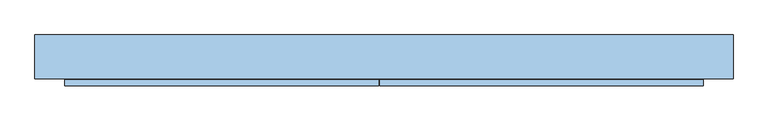
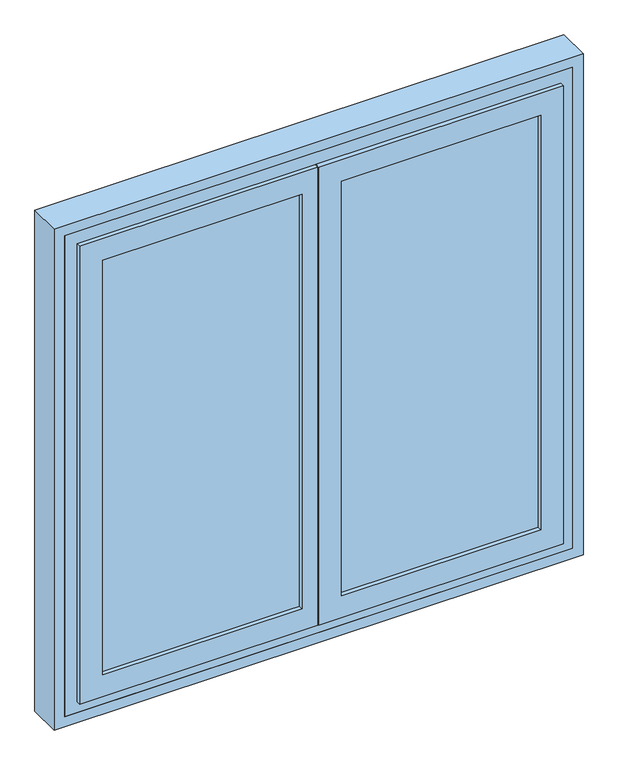
"""IFC4 building model written with IfcOpenShell, lengths in millimetres: window geometry."""

from ifc_helpers import new_model, si_unit, frame, origin, place, context, project, spatial, polyline, outline, extrude, faceted_brep, source, transform, mapped, element, save


def window_613cd42e(model_context):
    return source(origin(), model_context, "Body", "SolidModel", [
        extrude(outline(polyline([(641.0, 107.0), (641.0, 104.0), (36.0, 104.0), (36.0, 107.0), (641.0, 107.0)])), frame((0.0, 0.0, 909.0), z_axis=(0.0, 0.0, 1.0), x_axis=(1.0, 0.0, 0.0)), (0.0, 0.0, 1.0), 1282.0),
        extrude(outline(polyline([(-36.0, 107.0), (-36.0, 104.0), (-641.0, 104.0), (-641.0, 107.0), (-36.0, 107.0)])), frame((0.0, 0.0, 909.0), z_axis=(0.0, 0.0, 1.0), x_axis=(1.0, 0.0, 0.0)), (0.0, 0.0, 1.0), 1282.0),
        extrude(outline(polyline([(641.0, 164.0), (641.0, 161.0), (36.0, 161.0), (36.0, 164.0), (641.0, 164.0)])), frame((0.0, 0.0, 909.0), z_axis=(0.0, 0.0, 1.0), x_axis=(1.0, 0.0, 0.0)), (0.0, 0.0, 1.0), 1282.0),
        extrude(outline(polyline([(-36.0, 164.0), (-36.0, 161.0), (-641.0, 161.0), (-641.0, 164.0), (-36.0, 164.0)])), frame((0.0, 0.0, 909.0), z_axis=(0.0, 0.0, 1.0), x_axis=(1.0, 0.0, 0.0)), (0.0, 0.0, 1.0), 1282.0),
        faceted_brep([(720.0, 200.0, 830.0), (720.0, 106.0, 830.0), (-720.0, 106.0, 830.0), (-720.0, 200.0, 830.0), (720.0, 200.0, 2270.0), (720.0, 106.0, 2270.0), (-720.0, 106.0, 2270.0), (678.0, 106.0, 2228.0), (678.0, 106.0, 872.0), (-678.0, 106.0, 872.0), (-678.0, 106.0, 2228.0), (-720.0, 200.0, 2270.0), (650.0, 200.0, 2200.0), (-650.0, 200.0, 2200.0), (-650.0, 200.0, 873.6286846), (650.0, 200.0, 873.6286846), (-650.0, 180.0, 2200.0), (-650.0, 180.0, 880.9080893), (-668.0, 180.0, 880.9080893), (-668.0, 177.0, 882.0), (668.0, 177.0, 882.0), (668.0, 180.0, 880.9080893), (650.0, 180.0, 880.9080893), (650.0, 180.0, 2200.0), (678.0, 150.0, 2228.0), (678.0, 150.0, 872.0), (-678.0, 150.0, 872.0), (-678.0, 150.0, 2228.0), (668.0, 150.0, 2218.0), (668.0, 150.0, 882.0), (-668.0, 150.0, 882.0), (-668.0, 150.0, 2218.0), (668.0, 180.0, 2218.0), (-668.0, 180.0, 2218.0)], [[[0, 1, 2, 3]], [[1, 0, 4, 5]], [[2, 1, 5, 6], [7, 8, 9, 10]], [[11, 3, 2, 6]], [[0, 3, 11, 4], [12, 13, 14, 15]], [[13, 16, 17, 14]], [[15, 14, 17, 18, 19, 20, 21, 22]], [[23, 12, 15, 22]], [[7, 24, 25, 8]], [[9, 8, 25, 26]], [[26, 27, 10, 9]], [[24, 27, 26, 25], [28, 29, 30, 31]], [[28, 32, 21, 20, 29]], [[30, 29, 20, 19]], [[33, 31, 30, 19, 18]], [[32, 33, 18, 17, 16, 23, 22, 21]], [[4, 11, 6, 5]], [[7, 10, 27, 24]], [[28, 31, 33, 32]], [[13, 12, 23, 16]]]),
        faceted_brep([(-621.0, 133.0, 2171.0), (-621.0, 107.0, 2171.0), (-621.0, 107.0, 929.0), (-621.0, 133.0, 929.0), (-641.0, 107.0, 2191.0), (-641.0, 107.0, 909.0), (-36.0, 107.0, 909.0), (-36.0, 107.0, 2191.0), (-56.0, 107.0, 2171.0), (-56.0, 107.0, 929.0), (-56.0, 133.0, 929.0), (-676.0, 133.0, 874.0), (-676.0, 133.0, 2226.0), (-1.0, 133.0, 2226.0), (-1.0, 133.0, 874.0), (-56.0, 133.0, 2171.0), (-676.0, 104.0, 2226.0), (-676.0, 104.0, 874.0), (-1.0, 106.0, 874.0), (-11.0, 106.0, 874.0), (-11.0, 104.0, 874.0), (-11.0, 104.0, 864.0), (-686.0, 104.0, 864.0), (-686.0, 104.0, 2236.0), (-11.0, 104.0, 2236.0), (-11.0, 104.0, 2226.0), (-686.0, 91.0, 2236.0), (-686.0, 91.0, 864.0), (-11.0, 91.0, 864.0), (-11.0, 91.0, 2236.0), (-621.0, 91.0, 929.0), (-621.0, 91.0, 2171.0), (-56.0, 91.0, 2171.0), (-56.0, 91.0, 929.0), (-621.0, 104.0, 2171.0), (-621.0, 104.0, 929.0), (-56.0, 104.0, 929.0), (-641.0, 104.0, 909.0), (-641.0, 104.0, 2191.0), (-36.0, 104.0, 2191.0), (-36.0, 104.0, 909.0), (-56.0, 104.0, 2171.0), (-1.0, 106.0, 2226.0), (-11.0, 106.0, 2226.0)], [[[0, 1, 2, 3]], [[4, 5, 6, 7], [2, 1, 8, 9]], [[3, 2, 9, 10]], [[11, 12, 13, 14], [0, 3, 10, 15]], [[16, 12, 11, 17]], [[17, 11, 14, 18, 19, 20]], [[16, 17, 20, 21, 22, 23, 24, 25]], [[26, 23, 22, 27]], [[27, 22, 21, 28]], [[26, 27, 28, 29], [30, 31, 32, 33]], [[34, 31, 30, 35]], [[35, 30, 33, 36]], [[37, 38, 39, 40], [34, 35, 36, 41]], [[4, 38, 37, 5]], [[5, 37, 40, 6]], [[10, 9, 8, 15]], [[14, 13, 42, 18]], [[43, 19, 18, 42]], [[19, 43, 25, 24, 29, 28, 21, 20]], [[36, 33, 32, 41]], [[6, 40, 39, 7]], [[1, 0, 15, 8]], [[12, 16, 25, 43, 42, 13]], [[23, 26, 29, 24]], [[31, 34, 41, 32]], [[38, 4, 7, 39]]]),
        faceted_brep([(56.0, 133.0, 2171.0), (56.0, 107.0, 2171.0), (56.0, 107.0, 929.0), (56.0, 133.0, 929.0), (36.0, 107.0, 909.0), (641.0, 107.0, 909.0), (641.0, 107.0, 2191.0), (36.0, 107.0, 2191.0), (621.0, 107.0, 2171.0), (621.0, 107.0, 929.0), (621.0, 133.0, 929.0), (1.0, 133.0, 2226.0), (676.0, 133.0, 2226.0), (676.0, 133.0, 874.0), (1.0, 133.0, 874.0), (621.0, 133.0, 2171.0), (1.0, 104.0, 2226.0), (1.0, 104.0, 874.0), (676.0, 104.0, 874.0), (-9.0, 104.0, 2236.0), (686.0, 104.0, 2236.0), (686.0, 104.0, 864.0), (-9.0, 104.0, 864.0), (676.0, 104.0, 2226.0), (-9.0, 91.0, 2236.0), (-9.0, 91.0, 864.0), (686.0, 91.0, 864.0), (686.0, 91.0, 2236.0), (56.0, 91.0, 2171.0), (621.0, 91.0, 2171.0), (621.0, 91.0, 929.0), (56.0, 91.0, 929.0), (56.0, 104.0, 2171.0), (56.0, 104.0, 929.0), (621.0, 104.0, 929.0), (36.0, 104.0, 2191.0), (641.0, 104.0, 2191.0), (641.0, 104.0, 909.0), (36.0, 104.0, 909.0), (621.0, 104.0, 2171.0)], [[[0, 1, 2, 3]], [[4, 5, 6, 7], [1, 8, 9, 2]], [[3, 2, 9, 10]], [[11, 12, 13, 14], [3, 10, 15, 0]], [[16, 11, 14, 17]], [[17, 14, 13, 18]], [[19, 20, 21, 22], [17, 18, 23, 16]], [[24, 19, 22, 25]], [[25, 22, 21, 26]], [[25, 26, 27, 24], [28, 29, 30, 31]], [[32, 28, 31, 33]], [[33, 31, 30, 34]], [[35, 36, 37, 38], [33, 34, 39, 32]], [[7, 35, 38, 4]], [[4, 38, 37, 5]], [[10, 9, 8, 15]], [[18, 13, 12, 23]], [[26, 21, 20, 27]], [[34, 30, 29, 39]], [[5, 37, 36, 6]], [[15, 8, 1, 0]], [[23, 12, 11, 16]], [[27, 20, 19, 24]], [[39, 29, 28, 32]], [[6, 36, 35, 7]]]),
        faceted_brep([(-621.0, 177.0, 2171.0), (-621.0, 164.0, 2171.0), (-621.0, 164.0, 929.0), (-621.0, 177.0, 929.0), (-641.0, 164.0, 2191.0), (-641.0, 164.0, 909.0), (-36.0, 164.0, 909.0), (-36.0, 164.0, 2191.0), (-56.0, 164.0, 2171.0), (-56.0, 164.0, 929.0), (-56.0, 177.0, 929.0), (9.0, 177.0, 884.0), (-666.0, 177.0, 884.0), (-666.0, 177.0, 2216.0), (9.0, 177.0, 2216.0), (-56.0, 177.0, 2171.0), (-666.0, 148.0, 2216.0), (-666.0, 148.0, 884.0), (9.0, 150.0, 884.0), (-1.0, 150.0, 884.0), (-1.0, 148.0, 884.0), (-1.0, 148.0, 2216.0), (-1.0, 148.0, 874.0), (-676.0, 148.0, 874.0), (-676.0, 148.0, 2226.0), (-1.0, 148.0, 2226.0), (-676.0, 135.0, 2226.0), (-676.0, 135.0, 874.0), (-1.0, 135.0, 874.0), (-1.0, 135.0, 2226.0), (-621.0, 135.0, 929.0), (-621.0, 135.0, 2171.0), (-56.0, 135.0, 2171.0), (-56.0, 135.0, 929.0), (-621.0, 161.0, 2171.0), (-621.0, 161.0, 929.0), (-56.0, 161.0, 929.0), (-641.0, 161.0, 909.0), (-641.0, 161.0, 2191.0), (-36.0, 161.0, 2191.0), (-36.0, 161.0, 909.0), (-56.0, 161.0, 2171.0), (9.0, 150.0, 2216.0), (-1.0, 150.0, 2216.0)], [[[0, 1, 2, 3]], [[4, 5, 6, 7], [2, 1, 8, 9]], [[3, 2, 9, 10]], [[11, 12, 13, 14], [0, 3, 10, 15]], [[16, 13, 12, 17]], [[17, 12, 11, 18, 19, 20]], [[21, 16, 17, 20, 22, 23, 24, 25]], [[26, 24, 23, 27]], [[27, 23, 22, 28]], [[26, 27, 28, 29], [30, 31, 32, 33]], [[34, 31, 30, 35]], [[35, 30, 33, 36]], [[37, 38, 39, 40], [34, 35, 36, 41]], [[4, 38, 37, 5]], [[5, 37, 40, 6]], [[10, 9, 8, 15]], [[14, 42, 18, 11]], [[42, 43, 19, 18]], [[28, 22, 20, 19, 43, 21, 25, 29]], [[36, 33, 32, 41]], [[6, 40, 39, 7]], [[1, 0, 15, 8]], [[14, 13, 16, 21, 43, 42]], [[24, 26, 29, 25]], [[31, 34, 41, 32]], [[38, 4, 7, 39]]]),
        faceted_brep([(56.0, 177.0, 2171.0), (56.0, 164.0, 2171.0), (56.0, 164.0, 929.0), (56.0, 177.0, 929.0), (36.0, 164.0, 909.0), (641.0, 164.0, 909.0), (641.0, 164.0, 2191.0), (36.0, 164.0, 2191.0), (621.0, 164.0, 2171.0), (621.0, 164.0, 929.0), (621.0, 177.0, 929.0), (11.0, 177.0, 2216.0), (666.0, 177.0, 2216.0), (666.0, 177.0, 884.0), (11.0, 177.0, 884.0), (621.0, 177.0, 2171.0), (11.0, 148.0, 2216.0), (11.0, 148.0, 884.0), (666.0, 148.0, 884.0), (1.0, 148.0, 2226.0), (676.0, 148.0, 2226.0), (676.0, 148.0, 874.0), (1.0, 148.0, 874.0), (666.0, 148.0, 2216.0), (1.0, 135.0, 2226.0), (1.0, 135.0, 874.0), (676.0, 135.0, 874.0), (676.0, 135.0, 2226.0), (56.0, 135.0, 2171.0), (621.0, 135.0, 2171.0), (621.0, 135.0, 929.0), (56.0, 135.0, 929.0), (56.0, 161.0, 2171.0), (56.0, 161.0, 929.0), (621.0, 161.0, 929.0), (36.0, 161.0, 2191.0), (641.0, 161.0, 2191.0), (641.0, 161.0, 909.0), (36.0, 161.0, 909.0), (621.0, 161.0, 2171.0)], [[[0, 1, 2, 3]], [[4, 5, 6, 7], [1, 8, 9, 2]], [[3, 2, 9, 10]], [[11, 12, 13, 14], [3, 10, 15, 0]], [[16, 11, 14, 17]], [[17, 14, 13, 18]], [[19, 20, 21, 22], [17, 18, 23, 16]], [[24, 19, 22, 25]], [[25, 22, 21, 26]], [[25, 26, 27, 24], [28, 29, 30, 31]], [[32, 28, 31, 33]], [[33, 31, 30, 34]], [[35, 36, 37, 38], [33, 34, 39, 32]], [[7, 35, 38, 4]], [[4, 38, 37, 5]], [[10, 9, 8, 15]], [[18, 13, 12, 23]], [[26, 21, 20, 27]], [[34, 30, 29, 39]], [[5, 37, 36, 6]], [[15, 8, 1, 0]], [[23, 12, 11, 16]], [[27, 20, 19, 24]], [[39, 29, 28, 32]], [[6, 36, 35, 7]]]),
        extrude(outline(polyline([(800.0, -750.0), (800.0, 750.0), (2300.0, 750.0), (2300.0, -750.0), (800.0, -750.0)]), holes=[polyline([(2270.0, -720.0), (2270.0, 720.0), (830.0, 720.0), (830.0, -720.0), (2270.0, -720.0)])]), frame((0.0, 106.0, 0.0), z_axis=(0.0, 1.0, 0.0), x_axis=(0.0, 0.0, 1.0)), (0.0, 0.0, 1.0), 94.0),
    ])


if __name__ == "__main__":
    model = new_model("IFC4")
    model_context = context("Model", 3, world=origin())
    ifc_project = project(units=[si_unit("LENGTHUNIT", "METRE", prefix="MILLI")], contexts=[model_context])
    site = spatial("IfcSite", under=ifc_project)
    building = spatial("IfcBuilding", under=site)
    placement = place(None, origin())
    window_shape = window_613cd42e(model_context)
    element("IfcWindow", 1, at=placement, inside=building, context=model_context, shape_type="MappedRepresentation", body=[
        mapped(window_shape, transform((0.0, 0.0, 0.0), x_axis=(1.0, 0.0, 0.0), y_axis=(0.0, 1.0, 0.0), z_axis=(0.0, 0.0, 1.0))),
    ])
    save(model, "model.ifc")
